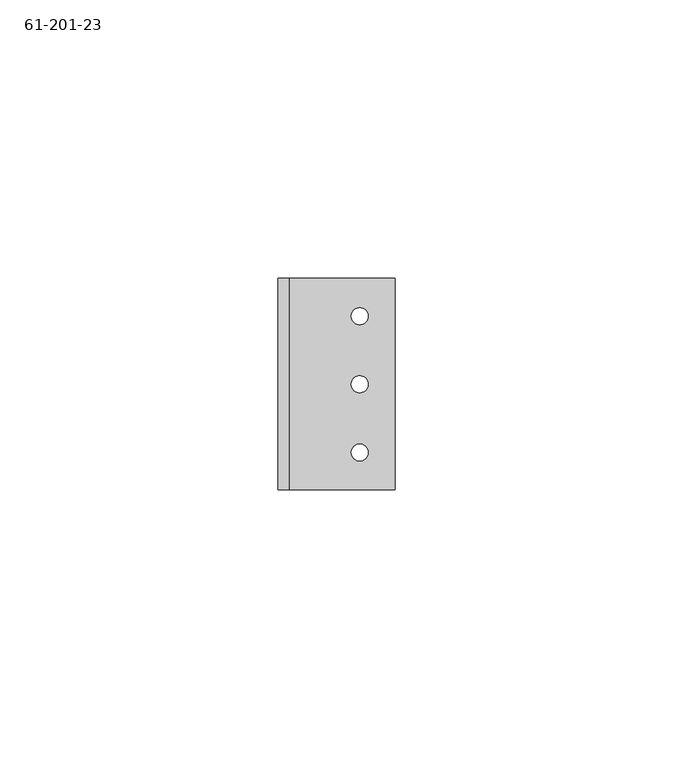
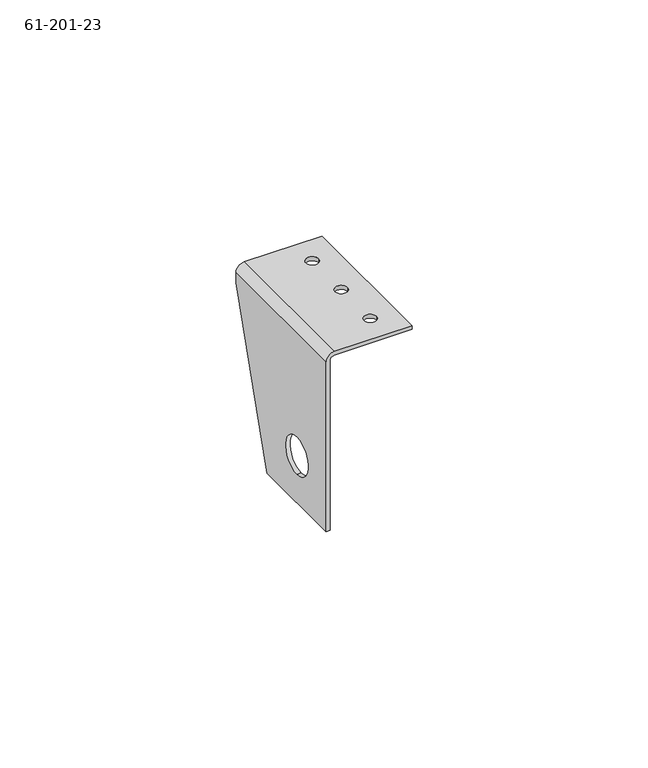
"""IFC4 building model written with IfcOpenShell, lengths in millimetres: proxy geometry, 61-201-23."""

from ifc_helpers import new_model, si_unit, frame, origin, place, context, project, spatial, polyline, circle_curve, source, transform, mapped, element, save
from ifc_brep_helpers import plane_surface, cylinder_surface, revolved_surface, advanced_brep


def proxy_61_201_23_e498fd1a(model_context):
    return source(origin(), model_context, "Body", "AdvancedBrep", [
        advanced_brep(
        [(-21.8431957, 27.7840484, 0.0), (-21.8431957, 27.7840484, 1.00584), (-24.8911957, 27.7840484, 1.00584), (-24.8911957, 27.7840484, 0.0), (-21.8275375, 40.0314756, 0.0), (-21.8275375, 40.0314756, 1.00584), (-24.8755375, 40.0314756, 1.00584), (-24.8755375, 40.0314756, 0.0), (-21.8275375, 15.5204756, 0.0), (-21.8275375, 15.5204756, 1.00584), (-24.8755375, 15.5204756, 1.00584), (-24.8755375, 15.5204756, 0.0), (-38.0835375, 21.0195756, -37.47516), (-37.0776975, 21.0195756, -37.47516), (-37.0776975, 21.0195756, -27.95016), (-38.0835375, 21.0195756, -27.95016), (-38.0835375, 33.8084756, -44.94276), (-38.0835375, 46.8894756, -3.66776), (-37.0776975, 46.8894756, -3.66776), (-37.0776975, 33.8084756, -44.94276), (-37.0776975, 46.8894756, -1.00584), (-37.0776975, 8.7894756, -1.00584), (-37.0776975, 8.7894756, -44.94276), (-38.0835375, 46.8894756, -1.00584), (-36.0718575, 46.8894756, 1.00584), (-17.0015375, 46.8894756, 1.00584), (-17.0015375, 46.8894756, 0.0), (-36.0718575, 46.8894756, 0.0), (-38.0835375, 8.7894756, -1.00584), (-36.0718575, 8.7894756, 1.00584), (-36.0718575, 8.7894756, 0.0), (-17.0015375, 8.7894756, 1.00584), (-17.0015375, 8.7894756, 0.0), (-38.0835375, 8.7894756, -44.94276)],
        [
            (0, 1),
            (1, 2, circle_curve(frame((-23.3671957, 27.7840484, 1.00584), z_axis=(0.0, 0.0, 1.0), x_axis=(1.0, 0.0, 0.0)), 1.524)),
            (2, 3),
            (3, 0, circle_curve(frame((-23.3671957, 27.7840484, 0.0), z_axis=(0.0, 0.0, -1.0), x_axis=(1.0, 0.0, 0.0)), 1.524)),
            (4, 5),
            (5, 6, circle_curve(frame((-23.3515375, 40.0314756, 1.00584), z_axis=(0.0, 0.0, 1.0), x_axis=(1.0, 0.0, 0.0)), 1.524)),
            (6, 7),
            (7, 4, circle_curve(frame((-23.3515375, 40.0314756, 0.0), z_axis=(0.0, 0.0, -1.0), x_axis=(1.0, 0.0, 0.0)), 1.524)),
            (8, 9),
            (9, 10, circle_curve(frame((-23.3515375, 15.5204756, 1.00584), z_axis=(0.0, 0.0, 1.0), x_axis=(1.0, 0.0, 0.0)), 1.524)),
            (10, 11),
            (11, 8, circle_curve(frame((-23.3515375, 15.5204756, 0.0), z_axis=(0.0, 0.0, -1.0), x_axis=(1.0, 0.0, 0.0)), 1.524)),
            (12, 13),
            (13, 14, circle_curve(frame((-37.0776975, 21.0195756, -32.71266), z_axis=(1.0, 0.0, 0.0), x_axis=(0.0, 0.0, -1.0)), 4.7625)),
            (14, 15),
            (15, 12, circle_curve(frame((-38.0835375, 21.0195756, -32.71266), z_axis=(-1.0, 0.0, 0.0), x_axis=(0.0, 0.0, -1.0)), 4.7625)),
            (12, 15, circle_curve(frame((-38.0835375, 21.0195756, -32.71266), z_axis=(-1.0, 0.0, 0.0), x_axis=(0.0, 0.0, -1.0)), 4.7625)),
            (14, 13, circle_curve(frame((-37.0776975, 21.0195756, -32.71266), z_axis=(1.0, 0.0, 0.0), x_axis=(0.0, 0.0, -1.0)), 4.7625)),
            (16, 17),
            (17, 18),
            (18, 19),
            (19, 16),
            (18, 20),
            (20, 21),
            (21, 22),
            (22, 19),
            (17, 23),
            (23, 24, circle_curve(frame((-36.0718575, 46.8894756, -1.00584), z_axis=(0.0, 1.0, 0.0), x_axis=(0.0, 0.0, 1.0)), 2.01168)),
            (24, 25),
            (25, 26),
            (26, 27),
            (27, 20, circle_curve(frame((-36.0718575, 46.8894756, -1.00584), z_axis=(0.0, -1.0, 0.0), x_axis=(0.0, 0.0, 1.0)), 1.00584)),
            (23, 28),
            (28, 29, circle_curve(frame((-36.0718575, 8.7894756, -1.00584), z_axis=(0.0, 1.0, 0.0), x_axis=(0.0, 0.0, 1.0)), 2.01168)),
            (29, 24),
            (27, 30),
            (30, 21, circle_curve(frame((-36.0718575, 8.7894756, -1.00584), z_axis=(0.0, -1.0, 0.0), x_axis=(0.0, 0.0, 1.0)), 1.00584)),
            (29, 31),
            (31, 25),
            (1, 2, circle_curve(frame((-23.3671957, 27.7840484, 1.00584), z_axis=(0.0, 0.0, -1.0), x_axis=(1.0, 0.0, 0.0)), 1.524)),
            (5, 6, circle_curve(frame((-23.3515375, 40.0314756, 1.00584), z_axis=(0.0, 0.0, -1.0), x_axis=(1.0, 0.0, 0.0)), 1.524)),
            (9, 10, circle_curve(frame((-23.3515375, 15.5204756, 1.00584), z_axis=(0.0, 0.0, -1.0), x_axis=(1.0, 0.0, 0.0)), 1.524)),
            (8, 11, circle_curve(frame((-23.3515375, 15.5204756, 0.0), z_axis=(0.0, 0.0, -1.0), x_axis=(1.0, 0.0, 0.0)), 1.524)),
            (4, 7, circle_curve(frame((-23.3515375, 40.0314756, 0.0), z_axis=(0.0, 0.0, -1.0), x_axis=(1.0, 0.0, 0.0)), 1.524)),
            (0, 3, circle_curve(frame((-23.3671957, 27.7840484, 0.0), z_axis=(0.0, 0.0, -1.0), x_axis=(1.0, 0.0, 0.0)), 1.524)),
            (31, 32),
            (32, 26),
            (32, 30),
            (28, 33),
            (33, 22),
            (16, 33),
        ],
        [
            revolved_surface(polyline([(-21.8431957, 27.7840484, 1.00584), (-21.8431957, 27.7840484, 0.0)]), (-23.3671957, 27.7840484, 0.19939), (0.0, 0.0, 1.0)),
            revolved_surface(polyline([(-21.8275375, 40.0314756, 1.00584), (-21.8275375, 40.0314756, 0.0)]), (-23.3515375, 40.0314756, 0.19939), (0.0, 0.0, 1.0)),
            revolved_surface(polyline([(-21.8275375, 15.5204756, 1.00584), (-21.8275375, 15.5204756, 0.0)]), (-23.3515375, 15.5204756, 0.19939), (0.0, 0.0, 1.0)),
            revolved_surface(polyline([(-37.0776975, 21.0195756, -37.47516), (-38.0835375, 21.0195756, -37.47516)]), (-37.5806175, 21.0195756, -32.71266), (1.0, 0.0, 0.0)),
            plane_surface(frame((-37.0776975, 46.8894756, -3.66776), z_axis=(0.0, 0.9532718513999601, -0.3021138482898335), x_axis=(0.0, -0.3021138482898335, -0.9532718513999601))),
            plane_surface(frame((-37.0776975, 27.8394756, -21.96846), z_axis=(1.0, 0.0, 0.0), x_axis=(0.0, 0.0, -1.0))),
            plane_surface(frame((-38.0835375, 46.8894756, 1.00584), z_axis=(0.0, 1.0, 0.0), x_axis=(0.0, 0.0, 1.0))),
            cylinder_surface(frame((-36.0718575, 27.8394756, -1.00584), z_axis=(0.0, -1.0, 0.0), x_axis=(0.0, 0.0, 1.0)), 2.01168),
            revolved_surface(polyline([(-36.0718575, 8.7894756, 0.0), (-36.0718575, 46.8894756, 0.0)]), (-36.0718575, 27.8394756, -1.00584), (0.0, -1.0, 0.0)),
            plane_surface(frame((-27.5425375, 27.8394756, 1.00584), z_axis=(0.0, 0.0, 1.0), x_axis=(1.0, 0.0, 0.0))),
            plane_surface(frame((-17.0015375, 46.8894756, 0.0), z_axis=(1.0, 0.0, 0.0), x_axis=(0.0, 0.0, -1.0))),
            plane_surface(frame((-27.5425375, 27.8394756, 0.0), z_axis=(0.0, 0.0, -1.0), x_axis=(1.0, 0.0, 0.0))),
            plane_surface(frame((-38.0835375, 8.7894756, -44.94276), z_axis=(0.0, -1.0, 0.0), x_axis=(0.0, 0.0, -1.0))),
            plane_surface(frame((-38.0835375, 27.8394756, -21.96846), z_axis=(-1.0, 0.0, 0.0), x_axis=(0.0, 0.0, -1.0))),
            plane_surface(frame((-38.0835375, 46.8894756, -44.94276), z_axis=(0.0, 0.0, -1.0), x_axis=(-1.0, 0.0, 0.0))),
        ],
        [
            (0, [[1, 2, 3, 4]]),
            (1, [[5, 6, 7, 8]]),
            (2, [[9, 10, 11, 12]]),
            (3, [[13, 14, 15, 16]]),
            (3, [[-13, 17, -15, 18]]),
            (4, [[19, 20, 21, 22]]),
            (5, [[-21, 23, 24, 25, 26], [-18, -14]]),
            (6, [[-20, 27, 28, 29, 30, 31, 32, -23]]),
            (7, [[33, 34, 35, -28]]),
            (8, [[-24, -32, 36, 37]]),
            (9, [[-35, 38, 39, -29], [40, -2], [41, -6], [42, -10]]),
            (2, [[-9, 43, -11, -42]]),
            (1, [[-5, 44, -7, -41]]),
            (0, [[-1, 45, -3, -40]]),
            (10, [[-39, 46, 47, -30]]),
            (11, [[-36, -31, -47, 48], [-43, -12], [-44, -8], [-45, -4]]),
            (12, [[49, 50, -25, -37, -48, -46, -38, -34]]),
            (13, [[-19, 51, -49, -33, -27], [-16, -17]]),
            (14, [[-22, -26, -50, -51]]),
        ],
    ),
    ])


if __name__ == "__main__":
    model = new_model("IFC4")
    model_context = context("Model", 3, world=origin())
    ifc_project = project(units=[si_unit("LENGTHUNIT", "METRE", prefix="MILLI")], contexts=[model_context])
    site = spatial("IfcSite", under=ifc_project)
    building = spatial("IfcBuilding", under=site)
    placement = place(None, origin())
    proxy_61_201_23_shape = proxy_61_201_23_e498fd1a(model_context)
    element("IfcBuildingElementProxy", 1, Name="61-201-23", ObjectType="61-201-23", at=placement, inside=building, context=model_context, shape_type="MappedRepresentation", body=[
        mapped(proxy_61_201_23_shape, transform((0.0, 0.0, 0.0), x_axis=(1.0, 0.0, 0.0), y_axis=(0.0, 1.0, 0.0), z_axis=(0.0, 0.0, 1.0))),
    ])
    save(model, "model.ifc")
